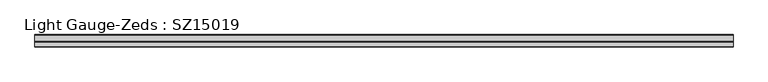
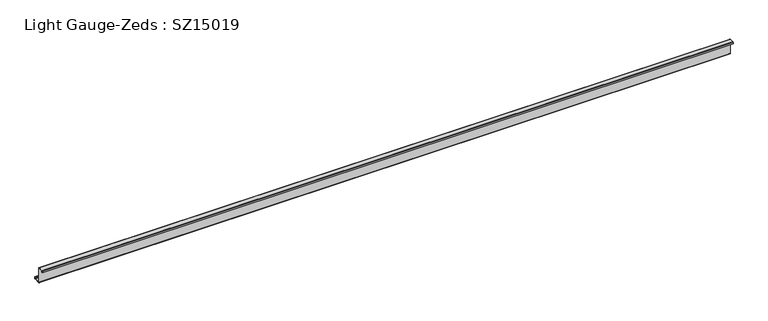
"""IFC4 building model written with IfcOpenShell, lengths in millimetres: beam geometry, Light Gauge-Zeds : SZ15019."""

from ifc_helpers import new_model, si_unit, point, frame, frame_2d, origin, place, context, project, spatial, polyline, circle_curve, trimmed, segment, composite_curve, outline, extrude, source, transform, mapped, element, save


def light_gauge_zeds_sz15019_82523dfb(model_context):
    return source(origin(), model_context, "Body", "SweptSolid", [
        extrude(outline(composite_curve([segment(polyline([(0.0, -72.1), (0.0, 72.1)]), True, "CONTINUOUS"), segment(trimmed(circle_curve(frame_2d((-2.0, 72.1)), 2.0), [point((0.0, 72.1))], [point((-2.0, 74.1))], True, "CARTESIAN"), True, "CONTINUOUS"), segment(polyline([(-2.0, 74.1), (-46.6, 74.1)]), True, "CONTINUOUS"), segment(trimmed(circle_curve(frame_2d((-46.6, 72.1)), 2.0), [point((-46.6, 74.1))], [point((-48.6, 72.1))], True, "CARTESIAN"), True, "CONTINUOUS"), segment(polyline([(-48.6, 72.1), (-48.6, 58.0), (-50.5, 58.0), (-50.5, 72.1)]), True, "CONTINUOUS"), segment(trimmed(circle_curve(frame_2d((-46.6, 72.1)), 3.9), [point((-50.5, 72.1))], [point((-46.6, 76.0))], False, "CARTESIAN"), True, "CONTINUOUS"), segment(polyline([(-46.6, 76.0), (-2.0, 76.0)]), True, "CONTINUOUS"), segment(trimmed(circle_curve(frame_2d((-2.0, 72.1)), 3.9), [point((-2.0, 76.0))], [point((1.9, 72.1))], False, "CARTESIAN"), True, "CONTINUOUS"), segment(polyline([(1.9, 72.1), (1.9, -72.1)]), True, "CONTINUOUS"), segment(trimmed(circle_curve(frame_2d((3.9, -72.1)), 2.0), [point((1.9, -72.1))], [point((3.9, -74.1))], True, "CARTESIAN"), True, "CONTINUOUS"), segment(polyline([(3.9, -74.1), (63.6, -74.1)]), True, "CONTINUOUS"), segment(trimmed(circle_curve(frame_2d((63.6, -72.1)), 2.0), [point((63.6, -74.1))], [point((65.6, -72.1))], True, "CARTESIAN"), True, "CONTINUOUS"), segment(polyline([(65.6, -72.1), (65.6, -57.0), (67.5, -57.0), (67.5, -72.1)]), True, "CONTINUOUS"), segment(trimmed(circle_curve(frame_2d((63.6, -72.1)), 3.9), [point((67.5, -72.1))], [point((63.6, -76.0))], False, "CARTESIAN"), True, "CONTINUOUS"), segment(polyline([(63.6, -76.0), (3.9, -76.0)]), True, "CONTINUOUS"), segment(trimmed(circle_curve(frame_2d((3.9, -72.1)), 3.9), [point((3.9, -76.0))], [point((0.0, -72.1))], False, "CARTESIAN"), True, "CONTINUOUS")], self_intersect=False)), frame((-3536.5, 0.0, 0.0), z_axis=(1.0, 0.0, 0.0), x_axis=(0.0, 1.0, 0.0)), (0.0, 0.0, 1.0), 6623.0),
    ])


if __name__ == "__main__":
    model = new_model("IFC4")
    model_context = context("Model", 3, world=origin())
    ifc_project = project(units=[si_unit("LENGTHUNIT", "METRE", prefix="MILLI")], contexts=[model_context])
    site = spatial("IfcSite", under=ifc_project)
    building = spatial("IfcBuilding", under=site)
    placement = place(None, origin())
    light_gauge_zeds_sz15019_shape = light_gauge_zeds_sz15019_82523dfb(model_context)
    element("IfcBeam", 1, ObjectType="Light Gauge-Zeds : SZ15019", at=placement, inside=building, context=model_context, shape_type="MappedRepresentation", body=[
        mapped(light_gauge_zeds_sz15019_shape, transform((0.0, 0.0, 0.0), x_axis=(1.0, 0.0, 0.0), y_axis=(0.0, 1.0, 0.0), z_axis=(0.0, 0.0, 1.0))),
    ])
    save(model, "model.ifc")
